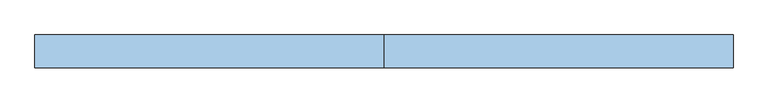
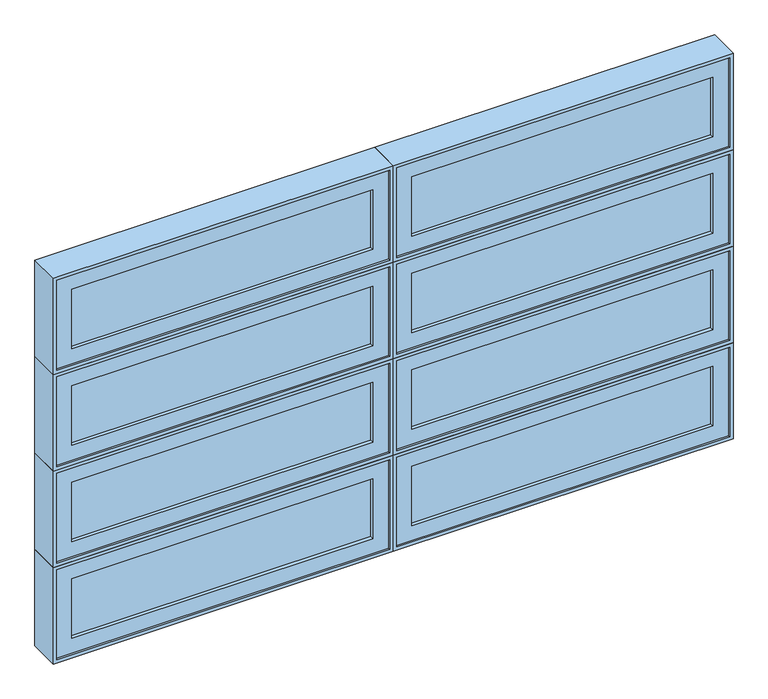
"""IFC4 building model written with IfcOpenShell, lengths in millimetres: window geometry."""

from ifc_helpers import new_model, si_unit, frame, origin, place, context, project, spatial, polyline, outline, extrude, faceted_brep, source, transform, mapped, element, save


def window_b4ab07b0(model_context):
    return source(origin(), model_context, "Body", "SolidModel", [
        faceted_brep([(-571.0781766, -42.8625, 2024.2609375), (-571.0781766, -93.6625, 2024.2609375), (622.7218234, -93.6625, 2024.2609375), (622.7218234, -42.8625, 2024.2609375), (-552.0281766, 20.6375, 2043.3109375), (-552.0281766, -42.8625, 2043.3109375), (603.6718234, -42.8625, 2043.3109375), (603.6718234, 20.6375, 2043.3109375), (-583.7781766, -93.6625, 2011.5609375), (-583.7781766, 20.6375, 2011.5609375), (635.4218234, 20.6375, 2011.5609375), (635.4218234, -93.6625, 2011.5609375), (622.7218234, -93.6625, 2364.58125), (622.7218234, -42.8625, 2364.58125), (603.6718234, -42.8625, 2345.53125), (603.6718234, 20.6375, 2345.53125), (635.4218234, 20.6375, 2377.28125), (635.4218234, -93.6625, 2377.28125), (-571.0781766, -93.6625, 2364.58125), (-571.0781766, -42.8625, 2364.58125), (-552.0281766, -42.8625, 2345.53125), (-552.0281766, 20.6375, 2345.53125), (-583.7781766, 20.6375, 2377.28125), (-583.7781766, -93.6625, 2377.28125)], [[[0, 1, 2, 3]], [[4, 5, 6, 7]], [[8, 9, 10, 11]], [[3, 2, 12, 13]], [[7, 6, 14, 15]], [[11, 10, 16, 17]], [[13, 12, 18, 19]], [[15, 14, 20, 21]], [[17, 16, 22, 23]], [[11, 17, 23, 8], [1, 18, 12, 2]], [[19, 18, 1, 0]], [[3, 13, 19, 0], [5, 20, 14, 6]], [[21, 20, 5, 4]], [[9, 22, 16, 10], [7, 15, 21, 4]], [[23, 22, 9, 8]]]),
        extrude(outline(polyline([(-513.9281766, -74.6125), (-513.9281766, -68.2625), (565.5718234, -68.2625), (565.5718234, -74.6125), (-513.9281766, -74.6125)])), frame((0.0, 0.0, 2081.4109375), z_axis=(0.0, 0.0, 1.0), x_axis=(1.0, 0.0, 0.0)), (0.0, 0.0, 1.0), 226.0203125),
        extrude(outline(polyline([(-513.9281766, -61.9125), (-513.9281766, -55.5625), (565.5718234, -55.5625), (565.5718234, -61.9125), (-513.9281766, -61.9125)])), frame((0.0, 0.0, 2081.4109375), z_axis=(0.0, 0.0, 1.0), x_axis=(1.0, 0.0, 0.0)), (0.0, 0.0, 1.0), 226.0203125),
        extrude(outline(polyline([(2364.58125, 622.7218234), (2364.58125, -571.0781766), (2024.2609375, -571.0781766), (2024.2609375, 622.7218234), (2364.58125, 622.7218234)]), holes=[polyline([(2081.4109375, 565.5718234), (2081.4109375, -513.9281766), (2307.43125, -513.9281766), (2307.43125, 565.5718234), (2081.4109375, 565.5718234)])]), frame((0.0, -87.3125, 0.0), z_axis=(0.0, 1.0, 0.0), x_axis=(0.0, 0.0, 1.0)), (0.0, 0.0, 1.0), 44.45),
        faceted_brep([(-1790.2781766, -42.8625, 2024.2609375), (-1790.2781766, -93.6625, 2024.2609375), (-596.4781766, -93.6625, 2024.2609375), (-596.4781766, -42.8625, 2024.2609375), (-1771.2281766, 20.6375, 2043.3109375), (-1771.2281766, -42.8625, 2043.3109375), (-615.5281766, -42.8625, 2043.3109375), (-615.5281766, 20.6375, 2043.3109375), (-1802.9781766, -93.6625, 2011.5609375), (-1802.9781766, 20.6375, 2011.5609375), (-583.7781766, 20.6375, 2011.5609375), (-583.7781766, -93.6625, 2011.5609375), (-596.4781766, -93.6625, 2364.58125), (-596.4781766, -42.8625, 2364.58125), (-615.5281766, -42.8625, 2345.53125), (-615.5281766, 20.6375, 2345.53125), (-583.7781766, 20.6375, 2377.28125), (-583.7781766, -93.6625, 2377.28125), (-1790.2781766, -93.6625, 2364.58125), (-1790.2781766, -42.8625, 2364.58125), (-1771.2281766, -42.8625, 2345.53125), (-1771.2281766, 20.6375, 2345.53125), (-1802.9781766, 20.6375, 2377.28125), (-1802.9781766, -93.6625, 2377.28125)], [[[0, 1, 2, 3]], [[4, 5, 6, 7]], [[8, 9, 10, 11]], [[3, 2, 12, 13]], [[7, 6, 14, 15]], [[11, 10, 16, 17]], [[13, 12, 18, 19]], [[15, 14, 20, 21]], [[17, 16, 22, 23]], [[11, 17, 23, 8], [1, 18, 12, 2]], [[19, 18, 1, 0]], [[3, 13, 19, 0], [5, 20, 14, 6]], [[21, 20, 5, 4]], [[9, 22, 16, 10], [7, 15, 21, 4]], [[23, 22, 9, 8]]]),
        extrude(outline(polyline([(-1733.1281766, -74.6125), (-1733.1281766, -68.2625), (-653.6281766, -68.2625), (-653.6281766, -74.6125), (-1733.1281766, -74.6125)])), frame((0.0, 0.0, 2081.4109375), z_axis=(0.0, 0.0, 1.0), x_axis=(1.0, 0.0, 0.0)), (0.0, 0.0, 1.0), 226.0203125),
        extrude(outline(polyline([(-1733.1281766, -61.9125), (-1733.1281766, -55.5625), (-653.6281766, -55.5625), (-653.6281766, -61.9125), (-1733.1281766, -61.9125)])), frame((0.0, 0.0, 2081.4109375), z_axis=(0.0, 0.0, 1.0), x_axis=(1.0, 0.0, 0.0)), (0.0, 0.0, 1.0), 226.0203125),
        extrude(outline(polyline([(2364.58125, -596.4781766), (2364.58125, -1790.2781766), (2024.2609375, -1790.2781766), (2024.2609375, -596.4781766), (2364.58125, -596.4781766)]), holes=[polyline([(2081.4109375, -653.6281766), (2081.4109375, -1733.1281766), (2307.43125, -1733.1281766), (2307.43125, -653.6281766), (2081.4109375, -653.6281766)])]), frame((0.0, -87.3125, 0.0), z_axis=(0.0, 1.0, 0.0), x_axis=(0.0, 0.0, 1.0)), (0.0, 0.0, 1.0), 44.45),
        faceted_brep([(-571.0781766, -42.8625, 1658.540625), (-571.0781766, -93.6625, 1658.540625), (622.7218234, -93.6625, 1658.540625), (622.7218234, -42.8625, 1658.540625), (-552.0281766, 20.6375, 1677.590625), (-552.0281766, -42.8625, 1677.590625), (603.6718234, -42.8625, 1677.590625), (603.6718234, 20.6375, 1677.590625), (-583.7781766, -93.6625, 1645.840625), (-583.7781766, 20.6375, 1645.840625), (635.4218234, 20.6375, 1645.840625), (635.4218234, -93.6625, 1645.840625), (622.7218234, -93.6625, 1998.8609375), (622.7218234, -42.8625, 1998.8609375), (603.6718234, -42.8625, 1979.8109375), (603.6718234, 20.6375, 1979.8109375), (635.4218234, 20.6375, 2011.5609375), (635.4218234, -93.6625, 2011.5609375), (-571.0781766, -93.6625, 1998.8609375), (-571.0781766, -42.8625, 1998.8609375), (-552.0281766, -42.8625, 1979.8109375), (-552.0281766, 20.6375, 1979.8109375), (-583.7781766, 20.6375, 2011.5609375), (-583.7781766, -93.6625, 2011.5609375)], [[[0, 1, 2, 3]], [[4, 5, 6, 7]], [[8, 9, 10, 11]], [[3, 2, 12, 13]], [[7, 6, 14, 15]], [[11, 10, 16, 17]], [[13, 12, 18, 19]], [[15, 14, 20, 21]], [[17, 16, 22, 23]], [[11, 17, 23, 8], [1, 18, 12, 2]], [[19, 18, 1, 0]], [[3, 13, 19, 0], [5, 20, 14, 6]], [[21, 20, 5, 4]], [[9, 22, 16, 10], [7, 15, 21, 4]], [[23, 22, 9, 8]]]),
        extrude(outline(polyline([(-513.9281766, -74.6125), (-513.9281766, -68.2625), (565.5718234, -68.2625), (565.5718234, -74.6125), (-513.9281766, -74.6125)])), frame((0.0, 0.0, 1715.690625), z_axis=(0.0, 0.0, 1.0), x_axis=(1.0, 0.0, 0.0)), (0.0, 0.0, 1.0), 226.0203125),
        extrude(outline(polyline([(-513.9281766, -61.9125), (-513.9281766, -55.5625), (565.5718234, -55.5625), (565.5718234, -61.9125), (-513.9281766, -61.9125)])), frame((0.0, 0.0, 1715.690625), z_axis=(0.0, 0.0, 1.0), x_axis=(1.0, 0.0, 0.0)), (0.0, 0.0, 1.0), 226.0203125),
        extrude(outline(polyline([(1998.8609375, 622.7218234), (1998.8609375, -571.0781766), (1658.540625, -571.0781766), (1658.540625, 622.7218234), (1998.8609375, 622.7218234)]), holes=[polyline([(1715.690625, 565.5718234), (1715.690625, -513.9281766), (1941.7109375, -513.9281766), (1941.7109375, 565.5718234), (1715.690625, 565.5718234)])]), frame((0.0, -87.3125, 0.0), z_axis=(0.0, 1.0, 0.0), x_axis=(0.0, 0.0, 1.0)), (0.0, 0.0, 1.0), 44.45),
        faceted_brep([(-1790.2781766, -42.8625, 1658.540625), (-1790.2781766, -93.6625, 1658.540625), (-596.4781766, -93.6625, 1658.540625), (-596.4781766, -42.8625, 1658.540625), (-1771.2281766, 20.6375, 1677.590625), (-1771.2281766, -42.8625, 1677.590625), (-615.5281766, -42.8625, 1677.590625), (-615.5281766, 20.6375, 1677.590625), (-1802.9781766, -93.6625, 1645.840625), (-1802.9781766, 20.6375, 1645.840625), (-583.7781766, 20.6375, 1645.840625), (-583.7781766, -93.6625, 1645.840625), (-596.4781766, -93.6625, 1998.8609375), (-596.4781766, -42.8625, 1998.8609375), (-615.5281766, -42.8625, 1979.8109375), (-615.5281766, 20.6375, 1979.8109375), (-583.7781766, 20.6375, 2011.5609375), (-583.7781766, -93.6625, 2011.5609375), (-1790.2781766, -93.6625, 1998.8609375), (-1790.2781766, -42.8625, 1998.8609375), (-1771.2281766, -42.8625, 1979.8109375), (-1771.2281766, 20.6375, 1979.8109375), (-1802.9781766, 20.6375, 2011.5609375), (-1802.9781766, -93.6625, 2011.5609375)], [[[0, 1, 2, 3]], [[4, 5, 6, 7]], [[8, 9, 10, 11]], [[3, 2, 12, 13]], [[7, 6, 14, 15]], [[11, 10, 16, 17]], [[13, 12, 18, 19]], [[15, 14, 20, 21]], [[17, 16, 22, 23]], [[11, 17, 23, 8], [1, 18, 12, 2]], [[19, 18, 1, 0]], [[3, 13, 19, 0], [5, 20, 14, 6]], [[21, 20, 5, 4]], [[9, 22, 16, 10], [7, 15, 21, 4]], [[23, 22, 9, 8]]]),
        extrude(outline(polyline([(-1733.1281766, -74.6125), (-1733.1281766, -68.2625), (-653.6281766, -68.2625), (-653.6281766, -74.6125), (-1733.1281766, -74.6125)])), frame((0.0, 0.0, 1715.690625), z_axis=(0.0, 0.0, 1.0), x_axis=(1.0, 0.0, 0.0)), (0.0, 0.0, 1.0), 226.0203125),
        extrude(outline(polyline([(-1733.1281766, -61.9125), (-1733.1281766, -55.5625), (-653.6281766, -55.5625), (-653.6281766, -61.9125), (-1733.1281766, -61.9125)])), frame((0.0, 0.0, 1715.690625), z_axis=(0.0, 0.0, 1.0), x_axis=(1.0, 0.0, 0.0)), (0.0, 0.0, 1.0), 226.0203125),
        extrude(outline(polyline([(1998.8609375, -596.4781766), (1998.8609375, -1790.2781766), (1658.540625, -1790.2781766), (1658.540625, -596.4781766), (1998.8609375, -596.4781766)]), holes=[polyline([(1715.690625, -653.6281766), (1715.690625, -1733.1281766), (1941.7109375, -1733.1281766), (1941.7109375, -653.6281766), (1715.690625, -653.6281766)])]), frame((0.0, -87.3125, 0.0), z_axis=(0.0, 1.0, 0.0), x_axis=(0.0, 0.0, 1.0)), (0.0, 0.0, 1.0), 44.45),
        faceted_brep([(-571.0781766, -42.8625, 1292.8203125), (-571.0781766, -93.6625, 1292.8203125), (622.7218234, -93.6625, 1292.8203125), (622.7218234, -42.8625, 1292.8203125), (-552.0281766, 20.6375, 1311.8703125), (-552.0281766, -42.8625, 1311.8703125), (603.6718234, -42.8625, 1311.8703125), (603.6718234, 20.6375, 1311.8703125), (-583.7781766, -93.6625, 1280.1203125), (-583.7781766, 20.6375, 1280.1203125), (635.4218234, 20.6375, 1280.1203125), (635.4218234, -93.6625, 1280.1203125), (622.7218234, -93.6625, 1633.140625), (622.7218234, -42.8625, 1633.140625), (603.6718234, -42.8625, 1614.090625), (603.6718234, 20.6375, 1614.090625), (635.4218234, 20.6375, 1645.840625), (635.4218234, -93.6625, 1645.840625), (-571.0781766, -93.6625, 1633.140625), (-571.0781766, -42.8625, 1633.140625), (-552.0281766, -42.8625, 1614.090625), (-552.0281766, 20.6375, 1614.090625), (-583.7781766, 20.6375, 1645.840625), (-583.7781766, -93.6625, 1645.840625)], [[[0, 1, 2, 3]], [[4, 5, 6, 7]], [[8, 9, 10, 11]], [[3, 2, 12, 13]], [[7, 6, 14, 15]], [[11, 10, 16, 17]], [[13, 12, 18, 19]], [[15, 14, 20, 21]], [[17, 16, 22, 23]], [[11, 17, 23, 8], [1, 18, 12, 2]], [[19, 18, 1, 0]], [[3, 13, 19, 0], [5, 20, 14, 6]], [[21, 20, 5, 4]], [[9, 22, 16, 10], [7, 15, 21, 4]], [[23, 22, 9, 8]]]),
        extrude(outline(polyline([(-513.9281766, -74.6125), (-513.9281766, -68.2625), (565.5718234, -68.2625), (565.5718234, -74.6125), (-513.9281766, -74.6125)])), frame((0.0, 0.0, 1349.9703125), z_axis=(0.0, 0.0, 1.0), x_axis=(1.0, 0.0, 0.0)), (0.0, 0.0, 1.0), 226.0203125),
        extrude(outline(polyline([(-513.9281766, -61.9125), (-513.9281766, -55.5625), (565.5718234, -55.5625), (565.5718234, -61.9125), (-513.9281766, -61.9125)])), frame((0.0, 0.0, 1349.9703125), z_axis=(0.0, 0.0, 1.0), x_axis=(1.0, 0.0, 0.0)), (0.0, 0.0, 1.0), 226.0203125),
        extrude(outline(polyline([(1633.140625, 622.7218234), (1633.140625, -571.0781766), (1292.8203125, -571.0781766), (1292.8203125, 622.7218234), (1633.140625, 622.7218234)]), holes=[polyline([(1349.9703125, 565.5718234), (1349.9703125, -513.9281766), (1575.990625, -513.9281766), (1575.990625, 565.5718234), (1349.9703125, 565.5718234)])]), frame((0.0, -87.3125, 0.0), z_axis=(0.0, 1.0, 0.0), x_axis=(0.0, 0.0, 1.0)), (0.0, 0.0, 1.0), 44.45),
        faceted_brep([(-1790.2781766, -42.8625, 1292.8203125), (-1790.2781766, -93.6625, 1292.8203125), (-596.4781766, -93.6625, 1292.8203125), (-596.4781766, -42.8625, 1292.8203125), (-1771.2281766, 20.6375, 1311.8703125), (-1771.2281766, -42.8625, 1311.8703125), (-615.5281766, -42.8625, 1311.8703125), (-615.5281766, 20.6375, 1311.8703125), (-1802.9781766, -93.6625, 1280.1203125), (-1802.9781766, 20.6375, 1280.1203125), (-583.7781766, 20.6375, 1280.1203125), (-583.7781766, -93.6625, 1280.1203125), (-596.4781766, -93.6625, 1633.140625), (-596.4781766, -42.8625, 1633.140625), (-615.5281766, -42.8625, 1614.090625), (-615.5281766, 20.6375, 1614.090625), (-583.7781766, 20.6375, 1645.840625), (-583.7781766, -93.6625, 1645.840625), (-1790.2781766, -93.6625, 1633.140625), (-1790.2781766, -42.8625, 1633.140625), (-1771.2281766, -42.8625, 1614.090625), (-1771.2281766, 20.6375, 1614.090625), (-1802.9781766, 20.6375, 1645.840625), (-1802.9781766, -93.6625, 1645.840625)], [[[0, 1, 2, 3]], [[4, 5, 6, 7]], [[8, 9, 10, 11]], [[3, 2, 12, 13]], [[7, 6, 14, 15]], [[11, 10, 16, 17]], [[13, 12, 18, 19]], [[15, 14, 20, 21]], [[17, 16, 22, 23]], [[11, 17, 23, 8], [1, 18, 12, 2]], [[19, 18, 1, 0]], [[3, 13, 19, 0], [5, 20, 14, 6]], [[21, 20, 5, 4]], [[9, 22, 16, 10], [7, 15, 21, 4]], [[23, 22, 9, 8]]]),
        extrude(outline(polyline([(-1733.1281766, -74.6125), (-1733.1281766, -68.2625), (-653.6281766, -68.2625), (-653.6281766, -74.6125), (-1733.1281766, -74.6125)])), frame((0.0, 0.0, 1349.9703125), z_axis=(0.0, 0.0, 1.0), x_axis=(1.0, 0.0, 0.0)), (0.0, 0.0, 1.0), 226.0203125),
        extrude(outline(polyline([(-1733.1281766, -61.9125), (-1733.1281766, -55.5625), (-653.6281766, -55.5625), (-653.6281766, -61.9125), (-1733.1281766, -61.9125)])), frame((0.0, 0.0, 1349.9703125), z_axis=(0.0, 0.0, 1.0), x_axis=(1.0, 0.0, 0.0)), (0.0, 0.0, 1.0), 226.0203125),
        extrude(outline(polyline([(1633.140625, -596.4781766), (1633.140625, -1790.2781766), (1292.8203125, -1790.2781766), (1292.8203125, -596.4781766), (1633.140625, -596.4781766)]), holes=[polyline([(1349.9703125, -653.6281766), (1349.9703125, -1733.1281766), (1575.990625, -1733.1281766), (1575.990625, -653.6281766), (1349.9703125, -653.6281766)])]), frame((0.0, -87.3125, 0.0), z_axis=(0.0, 1.0, 0.0), x_axis=(0.0, 0.0, 1.0)), (0.0, 0.0, 1.0), 44.45),
        faceted_brep([(-571.0781766, -42.8625, 927.1), (-571.0781766, -93.6625, 927.1), (622.7218234, -93.6625, 927.1), (622.7218234, -42.8625, 927.1), (-552.0281766, 20.6375, 946.15), (-552.0281766, -42.8625, 946.15), (603.6718234, -42.8625, 946.15), (603.6718234, 20.6375, 946.15), (-583.7781766, -93.6625, 914.4), (-583.7781766, 20.6375, 914.4), (635.4218234, 20.6375, 914.4), (635.4218234, -93.6625, 914.4), (622.7218234, -93.6625, 1267.4203125), (622.7218234, -42.8625, 1267.4203125), (603.6718234, -42.8625, 1248.3703125), (603.6718234, 20.6375, 1248.3703125), (635.4218234, 20.6375, 1280.1203125), (635.4218234, -93.6625, 1280.1203125), (-571.0781766, -93.6625, 1267.4203125), (-571.0781766, -42.8625, 1267.4203125), (-552.0281766, -42.8625, 1248.3703125), (-552.0281766, 20.6375, 1248.3703125), (-583.7781766, 20.6375, 1280.1203125), (-583.7781766, -93.6625, 1280.1203125)], [[[0, 1, 2, 3]], [[4, 5, 6, 7]], [[8, 9, 10, 11]], [[3, 2, 12, 13]], [[7, 6, 14, 15]], [[11, 10, 16, 17]], [[13, 12, 18, 19]], [[15, 14, 20, 21]], [[17, 16, 22, 23]], [[11, 17, 23, 8], [1, 18, 12, 2]], [[19, 18, 1, 0]], [[3, 13, 19, 0], [5, 20, 14, 6]], [[21, 20, 5, 4]], [[9, 22, 16, 10], [7, 15, 21, 4]], [[23, 22, 9, 8]]]),
        extrude(outline(polyline([(-513.9281766, -74.6125), (-513.9281766, -68.2625), (565.5718234, -68.2625), (565.5718234, -74.6125), (-513.9281766, -74.6125)])), frame((0.0, 0.0, 984.25), z_axis=(0.0, 0.0, 1.0), x_axis=(1.0, 0.0, 0.0)), (0.0, 0.0, 1.0), 226.0203125),
        extrude(outline(polyline([(-513.9281766, -61.9125), (-513.9281766, -55.5625), (565.5718234, -55.5625), (565.5718234, -61.9125), (-513.9281766, -61.9125)])), frame((0.0, 0.0, 984.25), z_axis=(0.0, 0.0, 1.0), x_axis=(1.0, 0.0, 0.0)), (0.0, 0.0, 1.0), 226.0203125),
        extrude(outline(polyline([(1267.4203125, 622.7218234), (1267.4203125, -571.0781766), (927.1, -571.0781766), (927.1, 622.7218234), (1267.4203125, 622.7218234)]), holes=[polyline([(984.25, 565.5718234), (984.25, -513.9281766), (1210.2703125, -513.9281766), (1210.2703125, 565.5718234), (984.25, 565.5718234)])]), frame((0.0, -87.3125, 0.0), z_axis=(0.0, 1.0, 0.0), x_axis=(0.0, 0.0, 1.0)), (0.0, 0.0, 1.0), 44.45),
        faceted_brep([(-1790.2781766, -42.8625, 927.1), (-1790.2781766, -93.6625, 927.1), (-596.4781766, -93.6625, 927.1), (-596.4781766, -42.8625, 927.1), (-1771.2281766, 20.6375, 946.15), (-1771.2281766, -42.8625, 946.15), (-615.5281766, -42.8625, 946.15), (-615.5281766, 20.6375, 946.15), (-1802.9781766, -93.6625, 914.4), (-1802.9781766, 20.6375, 914.4), (-583.7781766, 20.6375, 914.4), (-583.7781766, -93.6625, 914.4), (-596.4781766, -93.6625, 1267.4203125), (-596.4781766, -42.8625, 1267.4203125), (-615.5281766, -42.8625, 1248.3703125), (-615.5281766, 20.6375, 1248.3703125), (-583.7781766, 20.6375, 1280.1203125), (-583.7781766, -93.6625, 1280.1203125), (-1790.2781766, -93.6625, 1267.4203125), (-1790.2781766, -42.8625, 1267.4203125), (-1771.2281766, -42.8625, 1248.3703125), (-1771.2281766, 20.6375, 1248.3703125), (-1802.9781766, 20.6375, 1280.1203125), (-1802.9781766, -93.6625, 1280.1203125)], [[[0, 1, 2, 3]], [[4, 5, 6, 7]], [[8, 9, 10, 11]], [[3, 2, 12, 13]], [[7, 6, 14, 15]], [[11, 10, 16, 17]], [[13, 12, 18, 19]], [[15, 14, 20, 21]], [[17, 16, 22, 23]], [[11, 17, 23, 8], [1, 18, 12, 2]], [[19, 18, 1, 0]], [[3, 13, 19, 0], [5, 20, 14, 6]], [[21, 20, 5, 4]], [[9, 22, 16, 10], [7, 15, 21, 4]], [[23, 22, 9, 8]]]),
        extrude(outline(polyline([(-1733.1281766, -74.6125), (-1733.1281766, -68.2625), (-653.6281766, -68.2625), (-653.6281766, -74.6125), (-1733.1281766, -74.6125)])), frame((0.0, 0.0, 984.25), z_axis=(0.0, 0.0, 1.0), x_axis=(1.0, 0.0, 0.0)), (0.0, 0.0, 1.0), 226.0203125),
        extrude(outline(polyline([(-1733.1281766, -61.9125), (-1733.1281766, -55.5625), (-653.6281766, -55.5625), (-653.6281766, -61.9125), (-1733.1281766, -61.9125)])), frame((0.0, 0.0, 984.25), z_axis=(0.0, 0.0, 1.0), x_axis=(1.0, 0.0, 0.0)), (0.0, 0.0, 1.0), 226.0203125),
        extrude(outline(polyline([(1267.4203125, -596.4781766), (1267.4203125, -1790.2781766), (927.1, -1790.2781766), (927.1, -596.4781766), (1267.4203125, -596.4781766)]), holes=[polyline([(984.25, -653.6281766), (984.25, -1733.1281766), (1210.2703125, -1733.1281766), (1210.2703125, -653.6281766), (984.25, -653.6281766)])]), frame((0.0, -87.3125, 0.0), z_axis=(0.0, 1.0, 0.0), x_axis=(0.0, 0.0, 1.0)), (0.0, 0.0, 1.0), 44.45),
    ])


if __name__ == "__main__":
    model = new_model("IFC4")
    model_context = context("Model", 3, world=origin())
    ifc_project = project(units=[si_unit("LENGTHUNIT", "METRE", prefix="MILLI")], contexts=[model_context])
    site = spatial("IfcSite", under=ifc_project)
    building = spatial("IfcBuilding", under=site)
    placement = place(None, origin())
    window_shape = window_b4ab07b0(model_context)
    element("IfcWindow", 1, at=placement, inside=building, context=model_context, shape_type="MappedRepresentation", body=[
        mapped(window_shape, transform((0.0, 0.0, 0.0), x_axis=(1.0, 0.0, 0.0), y_axis=(0.0, 1.0, 0.0), z_axis=(0.0, 0.0, 1.0))),
    ])
    save(model, "model.ifc")
